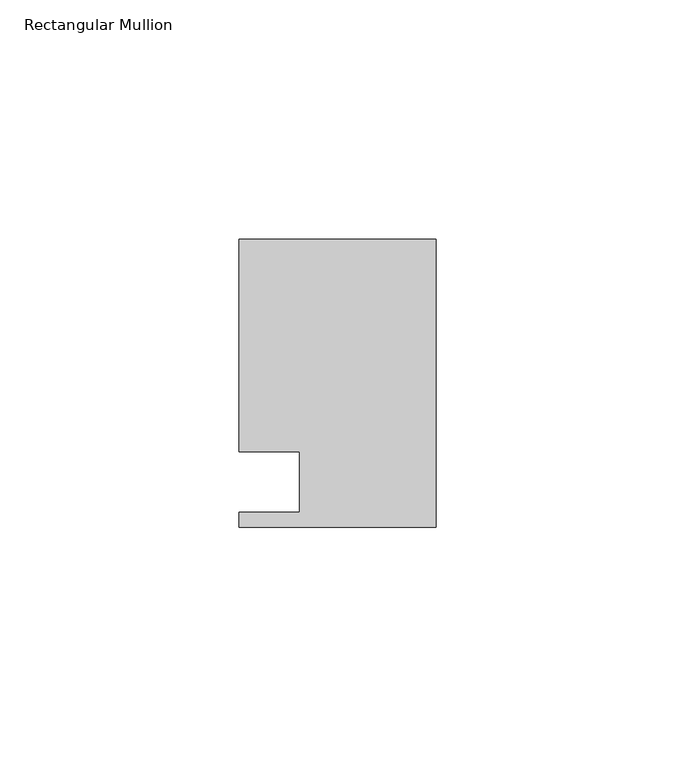
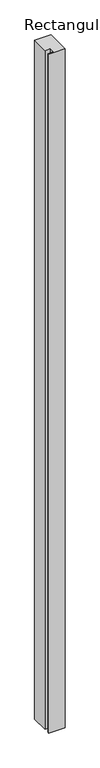
"""IFC4 building model written with IfcOpenShell, lengths in millimetres: member geometry, Rectangular Mullion."""

from ifc_helpers import new_model, si_unit, frame, origin, place, context, project, spatial, polyline, outline, extrude, source, transform, mapped, element, save


def rectangular_mullion_9a0889e0(model_context):
    return source(origin(), model_context, "Body", "SweptSolid", [
        extrude(outline(polyline([(0.0, 30.1625), (0.0, -30.1625), (-41.275, -30.1625), (-41.275, -26.9875), (-28.575, -26.9875), (-28.575, -14.2875), (-41.275, -14.2875), (-41.275, 30.1625), (0.0, 30.1625)])), frame((0.0, 0.0, -1787.525), z_axis=(0.0, 0.0, 1.0), x_axis=(1.0, 0.0, 0.0)), (0.0, 0.0, 1.0), 1787.525),
    ])


if __name__ == "__main__":
    model = new_model("IFC4")
    model_context = context("Model", 3, world=origin())
    ifc_project = project(units=[si_unit("LENGTHUNIT", "METRE", prefix="MILLI")], contexts=[model_context])
    site = spatial("IfcSite", under=ifc_project)
    building = spatial("IfcBuilding", under=site)
    placement = place(None, origin())
    rectangular_mullion_shape = rectangular_mullion_9a0889e0(model_context)
    element("IfcMember", 1, ObjectType="Rectangular Mullion", at=placement, inside=building, context=model_context, shape_type="MappedRepresentation", body=[
        mapped(rectangular_mullion_shape, transform((0.0, 0.0, 0.0), x_axis=(1.0, 0.0, 0.0), y_axis=(0.0, 1.0, 0.0), z_axis=(0.0, 0.0, 1.0))),
    ])
    save(model, "model.ifc")
